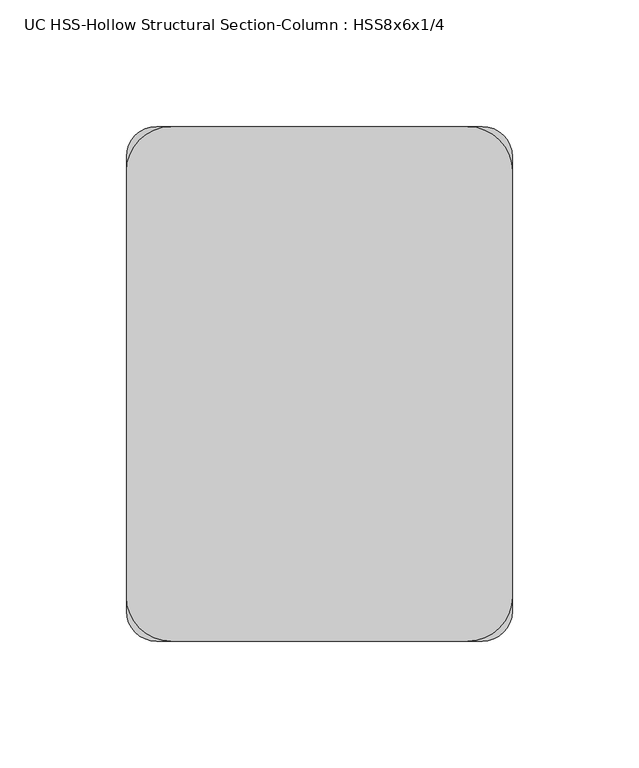
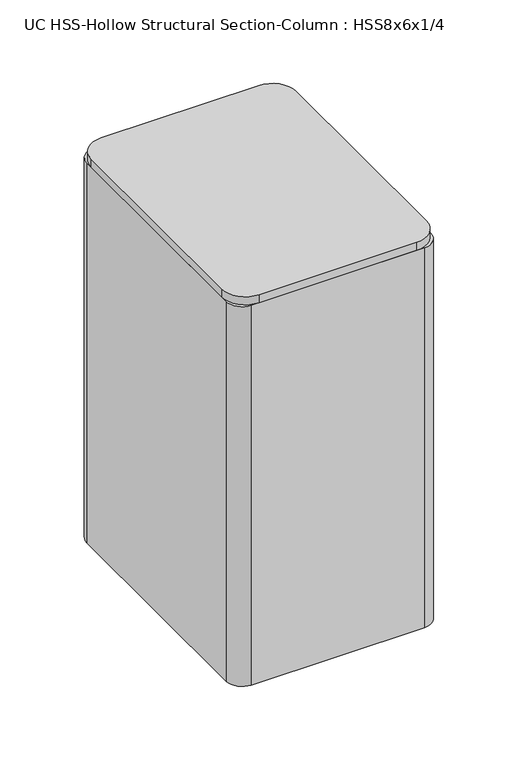
"""IFC4 building model written with IfcOpenShell, lengths in millimetres: column geometry, UC HSS-Hollow Structural Section-Column : HSS8x6x1/4."""

from ifc_helpers import new_model, si_unit, point, frame, frame_2d, origin, place, context, project, spatial, polyline, circle_curve, trimmed, segment, composite_curve, outline, extrude, source, transform, mapped, element, save


def uc_hss_hollow_structural_section_column_hss8x6x1_4_55dbc711(model_context):
    return source(origin(), model_context, "Body", "SweptSolid", [
        extrude(outline(composite_curve([segment(trimmed(circle_curve(frame_2d((-58.5390625, 83.9390625)), 17.6609375), [point((-76.2, 83.9390625))], [point((-58.5390625, 101.6))], False, "CARTESIAN"), True, "CONTINUOUS"), segment(polyline([(-58.5390625, 101.6), (58.5390625, 101.6)]), True, "CONTINUOUS"), segment(trimmed(circle_curve(frame_2d((58.5390625, 83.9390625)), 17.6609375), [point((58.5390625, 101.6))], [point((76.2, 83.9390625))], False, "CARTESIAN"), True, "CONTINUOUS"), segment(polyline([(76.2, 83.9390625), (76.2, -83.9390625)]), True, "CONTINUOUS"), segment(trimmed(circle_curve(frame_2d((58.5390625, -83.9390625)), 17.6609375), [point((76.2, -83.9390625))], [point((58.5390625, -101.6))], False, "CARTESIAN"), True, "CONTINUOUS"), segment(polyline([(58.5390625, -101.6), (-58.5390625, -101.6)]), True, "CONTINUOUS"), segment(trimmed(circle_curve(frame_2d((-58.5390625, -83.9390625)), 17.6609375), [point((-58.5390625, -101.6))], [point((-76.2, -83.9390625))], False, "CARTESIAN"), True, "CONTINUOUS"), segment(polyline([(-76.2, -83.9390625), (-76.2, 83.9390625)]), True, "CONTINUOUS")], self_intersect=False)), frame((0.0, 0.0, 8502.65), z_axis=(0.0, 0.0, 1.0), x_axis=(1.0, 0.0, 0.0)), (0.0, 0.0, 1.0), 6.35),
        extrude(outline(composite_curve([segment(trimmed(circle_curve(frame_2d((64.3636, 89.7636)), 11.8364), [point((64.3636, 101.6))], [point((76.2, 89.7636))], False, "CARTESIAN"), True, "CONTINUOUS"), segment(polyline([(76.2, 89.7636), (76.2, -89.7636)]), True, "CONTINUOUS"), segment(trimmed(circle_curve(frame_2d((64.3636, -89.7636)), 11.8364), [point((76.2, -89.7636))], [point((64.3636, -101.6))], False, "CARTESIAN"), True, "CONTINUOUS"), segment(polyline([(64.3636, -101.6), (-64.3636, -101.6)]), True, "CONTINUOUS"), segment(trimmed(circle_curve(frame_2d((-64.3636, -89.7636)), 11.8364), [point((-64.3636, -101.6))], [point((-76.2, -89.7636))], False, "CARTESIAN"), True, "CONTINUOUS"), segment(polyline([(-76.2, -89.7636), (-76.2, 89.7636)]), True, "CONTINUOUS"), segment(trimmed(circle_curve(frame_2d((-64.3636, 89.7636)), 11.8364), [point((-76.2, 89.7636))], [point((-64.3636, 101.6))], False, "CARTESIAN"), True, "CONTINUOUS"), segment(polyline([(-64.3636, 101.6), (64.3636, 101.6)]), True, "CONTINUOUS")], self_intersect=False), holes=[composite_curve([segment(polyline([(64.3636, 95.6818), (-64.3636, 95.6818)]), True, "CONTINUOUS"), segment(trimmed(circle_curve(frame_2d((-64.3636, 89.7636)), 5.9182), [point((-64.3636, 95.6818))], [point((-70.2818, 89.7636))], True, "CARTESIAN"), True, "CONTINUOUS"), segment(polyline([(-70.2818, 89.7636), (-70.2818, -89.7636)]), True, "CONTINUOUS"), segment(trimmed(circle_curve(frame_2d((-64.3636, -89.7636)), 5.9182), [point((-70.2818, -89.7636))], [point((-64.3636, -95.6818))], True, "CARTESIAN"), True, "CONTINUOUS"), segment(polyline([(-64.3636, -95.6818), (64.3636, -95.6818)]), True, "CONTINUOUS"), segment(trimmed(circle_curve(frame_2d((64.3636, -89.7636)), 5.9182), [point((64.3636, -95.6818))], [point((70.2818, -89.7636))], True, "CARTESIAN"), True, "CONTINUOUS"), segment(polyline([(70.2818, -89.7636), (70.2818, 89.7636)]), True, "CONTINUOUS"), segment(trimmed(circle_curve(frame_2d((64.3636, 89.7636)), 5.9182), [point((70.2818, 89.7636))], [point((64.3636, 95.6818))], True, "CARTESIAN"), True, "CONTINUOUS")], self_intersect=False)]), frame((0.0, 0.0, 8204.2), z_axis=(0.0, 0.0, 1.0), x_axis=(1.0, 0.0, 0.0)), (0.0, 0.0, 1.0), 298.45),
    ])


if __name__ == "__main__":
    model = new_model("IFC4")
    model_context = context("Model", 3, world=origin())
    ifc_project = project(units=[si_unit("LENGTHUNIT", "METRE", prefix="MILLI")], contexts=[model_context])
    site = spatial("IfcSite", under=ifc_project)
    building = spatial("IfcBuilding", under=site)
    placement = place(None, origin())
    uc_hss_hollow_structural_section_column_hss8x6x1_4_shape = uc_hss_hollow_structural_section_column_hss8x6x1_4_55dbc711(model_context)
    element("IfcColumn", 1, ObjectType="UC HSS-Hollow Structural Section-Column : HSS8x6x1/4", at=placement, inside=building, context=model_context, shape_type="MappedRepresentation", body=[
        mapped(uc_hss_hollow_structural_section_column_hss8x6x1_4_shape, transform((0.0, 0.0, 0.0), x_axis=(1.0, 0.0, 0.0), y_axis=(0.0, 1.0, 0.0), z_axis=(0.0, 0.0, 1.0))),
    ])
    save(model, "model.ifc")
